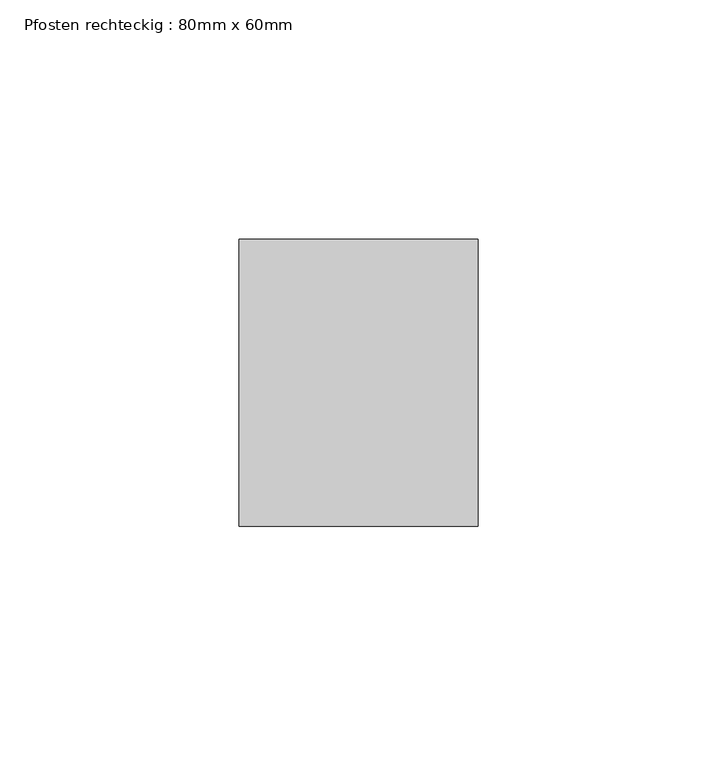
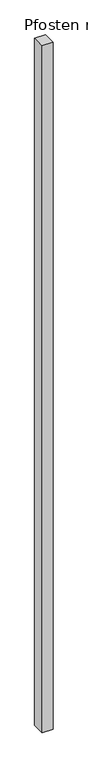
"""IFC4 building model written with IfcOpenShell, lengths in millimetres: member geometry, Pfosten rechteckig : 80mm x 60mm."""

from ifc_helpers import new_model, si_unit, frame, origin, place, context, project, spatial, polyline, outline, extrude, source, transform, mapped, element, save


def pfosten_rechteckig_80mm_x_60mm_6767f7b1(model_context):
    return source(origin(), model_context, "Body", "SweptSolid", [
        extrude(outline(polyline([(0.0, 30.0), (0.0, -30.0), (-50.0, -30.0), (-50.0, 30.0), (0.0, 30.0)])), frame((0.0, 0.0, -3350.0), z_axis=(0.0, 0.0, 1.0), x_axis=(1.0, 0.0, 0.0)), (0.0, 0.0, 1.0), 3350.0),
    ])


if __name__ == "__main__":
    model = new_model("IFC4")
    model_context = context("Model", 3, world=origin())
    ifc_project = project(units=[si_unit("LENGTHUNIT", "METRE", prefix="MILLI")], contexts=[model_context])
    site = spatial("IfcSite", under=ifc_project)
    building = spatial("IfcBuilding", under=site)
    placement = place(None, origin())
    pfosten_rechteckig_80mm_x_60mm_shape = pfosten_rechteckig_80mm_x_60mm_6767f7b1(model_context)
    element("IfcMember", 1, ObjectType="Pfosten rechteckig : 80mm x 60mm", at=placement, inside=building, context=model_context, shape_type="MappedRepresentation", body=[
        mapped(pfosten_rechteckig_80mm_x_60mm_shape, transform((0.0, 0.0, 0.0), x_axis=(1.0, 0.0, 0.0), y_axis=(0.0, 1.0, 0.0), z_axis=(0.0, 0.0, 1.0))),
    ])
    save(model, "model.ifc")
